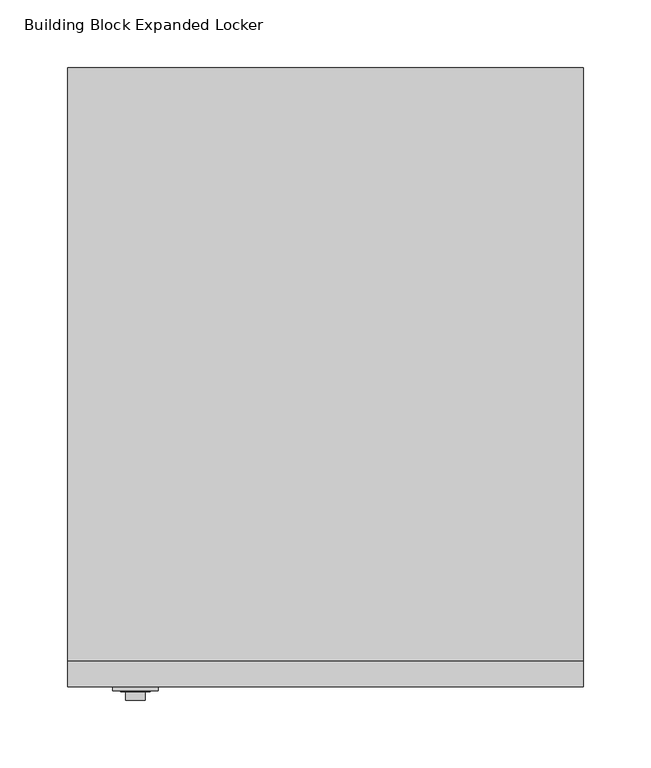
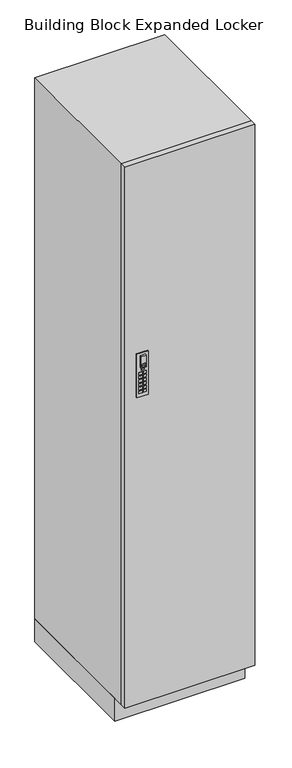
"""IFC4 building model written with IfcOpenShell, lengths in millimetres: furniture geometry, Building Block Expanded Locker."""

from ifc_helpers import new_model, si_unit, point, frame, frame_2d, origin, origin_with_axes, place, context, project, spatial, polyline, circle_curve, trimmed, segment, composite_curve, outline, extrude, source, transform, mapped, element, save


def building_block_expanded_locker_f1f51936(model_context):
    return source(origin(), model_context, "Body", "SweptSolid", [
        extrude(outline(polyline([(-335.7560153, -459.994), (-326.3580153, -459.994), (-326.3580153, -460.8078831), (-335.7560153, -460.8078831), (-335.7560153, -459.994)])), frame((0.0, 0.0, 1105.3907206), z_axis=(0.0, 0.0, 1.0), x_axis=(1.0, 0.0, 0.0)), (0.0, 0.0, 1.0), 4.8387031),
        extrude(outline(polyline([(-329.9385257, -459.994), (-320.0325257, -459.994), (-320.0325257, -460.8078831), (-329.9385257, -460.8078831), (-329.9385257, -459.994)])), frame((0.0, 0.0, 1068.832), z_axis=(0.0, 0.0, 1.0), x_axis=(1.0, 0.0, 0.0)), (0.0, 0.0, 1.0), 7.874),
        extrude(outline(polyline([(-329.9385257, -459.994), (-320.0325257, -459.994), (-320.0325257, -460.8078831), (-329.9385257, -460.8078831), (-329.9385257, -459.994)])), frame((0.0, 0.0, 1057.402), z_axis=(0.0, 0.0, 1.0), x_axis=(1.0, 0.0, 0.0)), (0.0, 0.0, 1.0), 7.874),
        extrude(outline(polyline([(-329.9385257, -459.994), (-320.0325257, -459.994), (-320.0325257, -460.8078831), (-329.9385257, -460.8078831), (-329.9385257, -459.994)])), frame((0.0, 0.0, 1091.692), z_axis=(0.0, 0.0, 1.0), x_axis=(1.0, 0.0, 0.0)), (0.0, 0.0, 1.0), 7.874),
        extrude(outline(polyline([(-329.9385257, -459.994), (-320.0325257, -459.994), (-320.0325257, -460.8078831), (-329.9385257, -460.8078831), (-329.9385257, -459.994)])), frame((0.0, 0.0, 1080.262), z_axis=(0.0, 0.0, 1.0), x_axis=(1.0, 0.0, 0.0)), (0.0, 0.0, 1.0), 7.874),
        extrude(outline(polyline([(-329.9385257, -459.994), (-320.0325257, -459.994), (-320.0325257, -460.8078831), (-329.9385257, -460.8078831), (-329.9385257, -459.994)])), frame((0.0, 0.0, 1045.972), z_axis=(0.0, 0.0, 1.0), x_axis=(1.0, 0.0, 0.0)), (0.0, 0.0, 1.0), 7.874),
        extrude(outline(polyline([(-329.9385257, -459.994), (-320.0325257, -459.994), (-320.0325257, -460.8078831), (-329.9385257, -460.8078831), (-329.9385257, -459.994)])), frame((0.0, 0.0, 1034.542), z_axis=(0.0, 0.0, 1.0), x_axis=(1.0, 0.0, 0.0)), (0.0, 0.0, 1.0), 7.874),
        extrude(outline(polyline([(-341.8914743, -459.994), (-331.9854743, -459.994), (-331.9854743, -460.8078831), (-341.8914743, -460.8078831), (-341.8914743, -459.994)])), frame((0.0, 0.0, 1068.832), z_axis=(0.0, 0.0, 1.0), x_axis=(1.0, 0.0, 0.0)), (0.0, 0.0, 1.0), 7.874),
        extrude(outline(polyline([(-341.8914743, -459.994), (-331.9854743, -459.994), (-331.9854743, -460.8078831), (-341.8914743, -460.8078831), (-341.8914743, -459.994)])), frame((0.0, 0.0, 1057.402), z_axis=(0.0, 0.0, 1.0), x_axis=(1.0, 0.0, 0.0)), (0.0, 0.0, 1.0), 7.874),
        extrude(outline(polyline([(-341.8914743, -459.994), (-331.9854743, -459.994), (-331.9854743, -460.8078831), (-341.8914743, -460.8078831), (-341.8914743, -459.994)])), frame((0.0, 0.0, 1091.692), z_axis=(0.0, 0.0, 1.0), x_axis=(1.0, 0.0, 0.0)), (0.0, 0.0, 1.0), 7.874),
        extrude(outline(polyline([(-341.8914743, -459.994), (-331.9854743, -459.994), (-331.9854743, -460.8078831), (-341.8914743, -460.8078831), (-341.8914743, -459.994)])), frame((0.0, 0.0, 1080.262), z_axis=(0.0, 0.0, 1.0), x_axis=(1.0, 0.0, 0.0)), (0.0, 0.0, 1.0), 7.874),
        extrude(outline(polyline([(-341.8914743, -459.994), (-331.9854743, -459.994), (-331.9854743, -460.8078831), (-341.8914743, -460.8078831), (-341.8914743, -459.994)])), frame((0.0, 0.0, 1045.972), z_axis=(0.0, 0.0, 1.0), x_axis=(1.0, 0.0, 0.0)), (0.0, 0.0, 1.0), 7.874),
        extrude(outline(polyline([(-341.8914743, -459.994), (-331.9854743, -459.994), (-331.9854743, -460.8078831), (-341.8914743, -460.8078831), (-341.8914743, -459.994)])), frame((0.0, 0.0, 1034.542), z_axis=(0.0, 0.0, 1.0), x_axis=(1.0, 0.0, 0.0)), (0.0, 0.0, 1.0), 7.874),
        extrude(outline(composite_curve([segment(trimmed(circle_curve(frame_2d((1141.2707407, -330.962)), 3.302), [point((1141.2707407, -327.66))], [point((1141.2707407, -334.264))], False, "CARTESIAN"), True, "CONTINUOUS"), segment(trimmed(circle_curve(frame_2d((1141.2707407, -330.962)), 3.302), [point((1141.2707407, -334.264))], [point((1141.2707407, -327.66))], False, "CARTESIAN"), True, "CONTINUOUS")], self_intersect=False)), frame((0.0, -461.01, 0.0), z_axis=(0.0, 1.0, 0.0), x_axis=(0.0, 0.0, 1.0)), (0.0, 0.0, 1.0), 1.016),
        extrude(outline(polyline([(1151.636, -338.201), (1115.06, -338.201), (1115.06, -323.723), (1151.636, -323.723), (1151.636, -338.201)]), holes=[polyline([(1117.5050696, -335.7560153), (1128.1404975, -335.7560153), (1128.1404975, -326.3580153), (1117.5050696, -326.3580153), (1117.5050696, -335.7560153)])]), frame((0.0, -466.852, 0.0), z_axis=(0.0, 1.0, 0.0), x_axis=(0.0, 0.0, 1.0)), (0.0, 0.0, 1.0), 5.842),
        extrude(outline(polyline([(-347.726, -457.2), (-314.198, -457.2), (-314.198, -459.994), (-347.726, -459.994), (-347.726, -457.2)])), frame((0.0, 0.0, 1023.366), z_axis=(0.0, 0.0, 1.0), x_axis=(1.0, 0.0, 0.0)), (0.0, 0.0, 1.0), 134.62),
        extrude(outline(polyline([(0.0, -457.2), (-381.0, -457.2), (-381.0, -438.15), (0.0, -438.15), (0.0, -457.2)])), frame((0.0, 0.0, 71.12), z_axis=(0.0, 0.0, 1.0), x_axis=(1.0, 0.0, 0.0)), (0.0, 0.0, 1.0), 1676.4),
        extrude(outline(polyline([(0.0, 0.0), (0.0, -438.15), (-381.0, -438.15), (-381.0, 0.0), (0.0, 0.0)])), frame((0.0, 0.0, 71.12), z_axis=(0.0, 0.0, 1.0), x_axis=(1.0, 0.0, 0.0)), (0.0, 0.0, 1.0), 1676.4),
        extrude(outline(polyline([(0.0, -406.4), (-381.0, -406.4), (-381.0, 0.0), (0.0, 0.0), (0.0, -406.4)])), origin_with_axes(), (0.0, 0.0, 1.0), 71.12),
    ])


if __name__ == "__main__":
    model = new_model("IFC4")
    model_context = context("Model", 3, world=origin())
    ifc_project = project(units=[si_unit("LENGTHUNIT", "METRE", prefix="MILLI")], contexts=[model_context])
    site = spatial("IfcSite", under=ifc_project)
    building = spatial("IfcBuilding", under=site)
    placement = place(None, origin())
    building_block_expanded_locker_shape = building_block_expanded_locker_f1f51936(model_context)
    element("IfcFurniture", 1, ObjectType="Building Block Expanded Locker", at=placement, inside=building, context=model_context, shape_type="MappedRepresentation", body=[
        mapped(building_block_expanded_locker_shape, transform((0.0, 0.0, 0.0), x_axis=(1.0, 0.0, 0.0), y_axis=(0.0, 1.0, 0.0), z_axis=(0.0, 0.0, 1.0))),
    ])
    save(model, "model.ifc")
